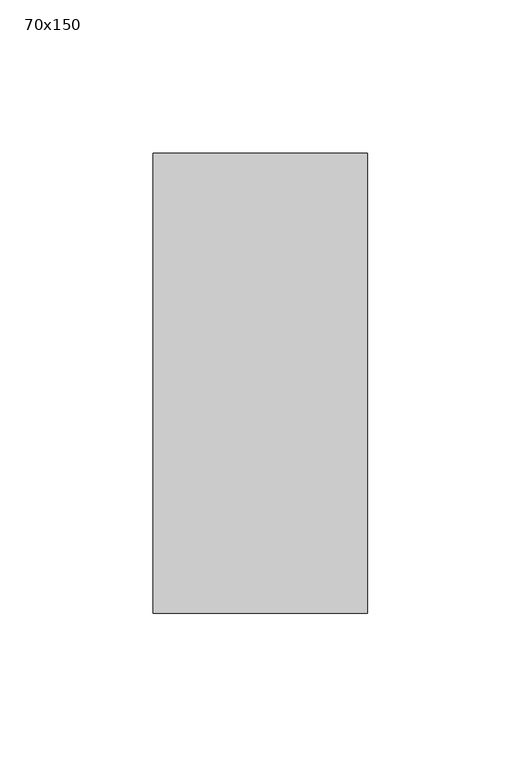
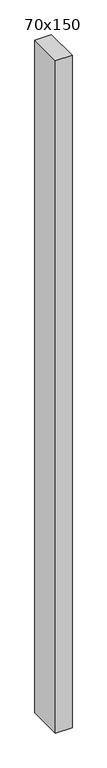
"""IFC4 building model written with IfcOpenShell, lengths in millimetres: member geometry, 70x150."""

from ifc_helpers import new_model, si_unit, frame, origin, place, context, project, spatial, polyline, outline, extrude, source, transform, mapped, element, save


def member_70x150_1b280ac3(model_context):
    return source(origin(), model_context, "Body", "SweptSolid", [
        extrude(outline(polyline([(0.0, 75.0), (0.0, -75.0), (-70.0, -75.0), (-70.0, 75.0), (0.0, 75.0)])), frame((0.0, 0.0, -3000.0), z_axis=(0.0, 0.0, 1.0), x_axis=(1.0, 0.0, 0.0)), (0.0, 0.0, 1.0), 3000.0),
    ])


if __name__ == "__main__":
    model = new_model("IFC4")
    model_context = context("Model", 3, world=origin())
    ifc_project = project(units=[si_unit("LENGTHUNIT", "METRE", prefix="MILLI")], contexts=[model_context])
    site = spatial("IfcSite", under=ifc_project)
    building = spatial("IfcBuilding", under=site)
    placement = place(None, origin())
    member_70x150_shape = member_70x150_1b280ac3(model_context)
    element("IfcMember", 1, ObjectType="70x150", at=placement, inside=building, context=model_context, shape_type="MappedRepresentation", body=[
        mapped(member_70x150_shape, transform((0.0, 0.0, 0.0), x_axis=(1.0, 0.0, 0.0), y_axis=(0.0, 1.0, 0.0), z_axis=(0.0, 0.0, 1.0))),
    ])
    save(model, "model.ifc")
